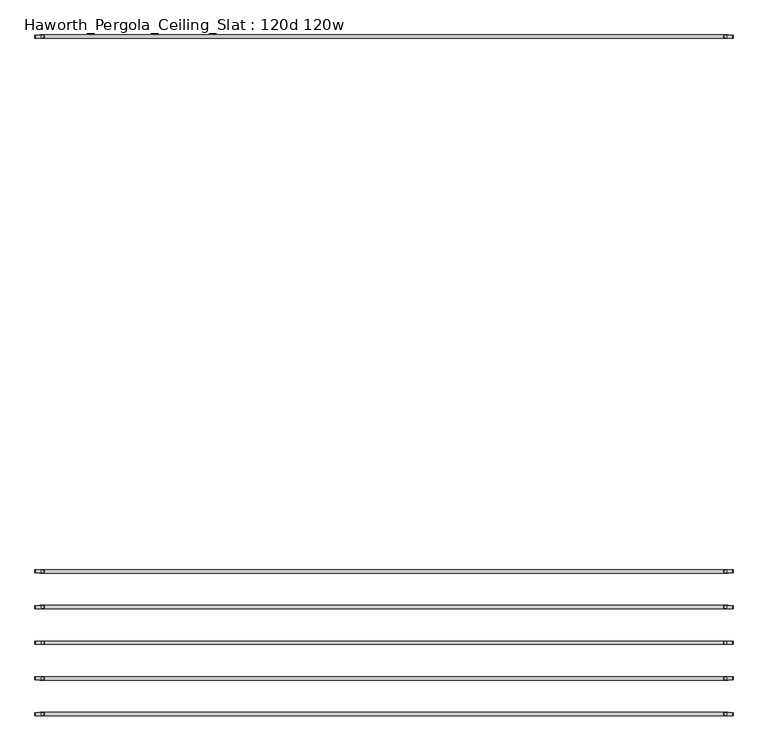
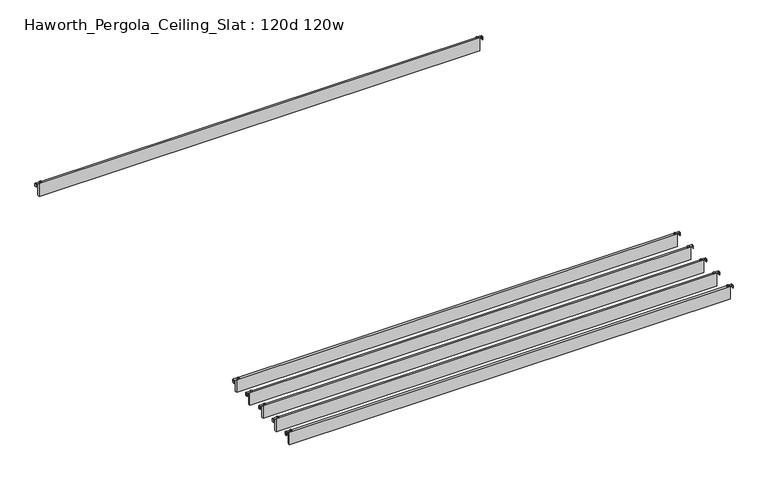
"""IFC4 building model written with IfcOpenShell, lengths in millimetres: furniture geometry, Haworth_Pergola_Ceiling_Slat : 120d 120w."""

from ifc_helpers import new_model, si_unit, point, frame, frame_2d, origin, place, context, project, spatial, polyline, circle_curve, trimmed, segment, composite_curve, outline, extrude, source, transform, mapped, element, save


def haworth_pergola_ceiling_slat_120d_120w_8a2589e2(model_context):
    return source(origin(), model_context, "Body", "SweptSolid", [
        extrude(outline(composite_curve([segment(trimmed(circle_curve(frame_2d((1548.4, -2206.3175263)), 5.9838099), [point((1542.4161901, -2206.3175263))], [point((1554.3838099, -2206.3175263))], False, "CARTESIAN"), True, "CONTINUOUS"), segment(trimmed(circle_curve(frame_2d((1548.4, -2206.3175263)), 5.9838099), [point((1554.3838099, -2206.3175263))], [point((1542.4161901, -2206.3175263))], False, "CARTESIAN"), True, "CONTINUOUS")], self_intersect=False)), frame((0.0, 0.0, 2440.9329992), z_axis=(0.0, 0.0, 1.0), x_axis=(1.0, 0.0, 0.0)), (0.0, 0.0, 1.0), 3.4400008),
        extrude(outline(composite_curve([segment(trimmed(circle_curve(frame_2d((-1472.2, -2206.3175263)), 5.9838099), [point((-1466.2161901, -2206.3175263))], [point((-1478.1838099, -2206.3175263))], False, "CARTESIAN"), True, "CONTINUOUS"), segment(trimmed(circle_curve(frame_2d((-1472.2, -2206.3175263)), 5.9838099), [point((-1478.1838099, -2206.3175263))], [point((-1466.2161901, -2206.3175263))], False, "CARTESIAN"), True, "CONTINUOUS")], self_intersect=False)), frame((0.0, 0.0, 2440.9329992), z_axis=(0.0, 0.0, 1.0), x_axis=(1.0, 0.0, 0.0)), (0.0, 0.0, 1.0), 3.4400008),
        extrude(outline(composite_curve([segment(polyline([(2419.2231711, 1582.56), (2437.2499992, 1582.56)]), True, "CONTINUOUS"), segment(trimmed(circle_curve(frame_2d((2437.2499992, 1578.877)), 3.683), [point((2437.2499992, 1582.56))], [point((2440.9329992, 1578.877))], False, "CARTESIAN"), True, "CONTINUOUS"), segment(polyline([(2440.9329992, 1578.877), (2440.9329992, 1541.9), (2438.2729997, 1541.9), (2438.2729997, 1578.8905568)]), True, "CONTINUOUS"), segment(trimmed(circle_curve(frame_2d((2437.2635571, 1578.8905568)), 1.0094425), [point((2438.2729997, 1578.8905568))], [point((2437.2635571, 1579.8999993))], True, "CARTESIAN"), True, "CONTINUOUS"), segment(polyline([(2437.2635571, 1579.8999993), (2419.2231711, 1579.8999993), (2419.2231711, 1582.56)]), True, "CONTINUOUS")], self_intersect=False)), frame((0.0, -2212.8105267, 0.0), z_axis=(0.0, 1.0, 0.0), x_axis=(0.0, 0.0, 1.0)), (0.0, 0.0, 1.0), 13.0),
        extrude(outline(composite_curve([segment(polyline([(2419.2231711, -1506.36), (2419.2231711, -1503.6999993), (2437.2635571, -1503.6999993)]), True, "CONTINUOUS"), segment(trimmed(circle_curve(frame_2d((2437.2635571, -1502.6905568)), 1.0094425), [point((2437.2635571, -1503.6999993))], [point((2438.2729997, -1502.6905568))], True, "CARTESIAN"), True, "CONTINUOUS"), segment(polyline([(2438.2729997, -1502.6905568), (2438.2729997, -1465.7), (2440.9329992, -1465.7), (2440.9329992, -1502.677)]), True, "CONTINUOUS"), segment(trimmed(circle_curve(frame_2d((2437.2499992, -1502.677)), 3.683), [point((2440.9329992, -1502.677))], [point((2437.2499992, -1506.36))], False, "CARTESIAN"), True, "CONTINUOUS"), segment(polyline([(2437.2499992, -1506.36), (2419.2231711, -1506.36)]), True, "CONTINUOUS")], self_intersect=False)), frame((0.0, -2212.8105267, 0.0), z_axis=(0.0, 1.0, 0.0), x_axis=(0.0, 0.0, 1.0)), (0.0, 0.0, 1.0), 13.0),
        extrude(outline(polyline([(-1485.9, -2213.8105263), (-1485.9, -2198.8245263), (1562.1, -2198.8245263), (1562.1, -2213.8105263), (-1485.9, -2213.8105263)])), frame((0.0, 0.0, 2346.198), z_axis=(0.0, 0.0, 1.0), x_axis=(1.0, 0.0, 0.0)), (0.0, 0.0, 1.0), 92.202),
        extrude(outline(composite_curve([segment(trimmed(circle_curve(frame_2d((1548.4, -2364.0648947)), 5.9838099), [point((1542.4161901, -2364.0648947))], [point((1554.3838099, -2364.0648947))], False, "CARTESIAN"), True, "CONTINUOUS"), segment(trimmed(circle_curve(frame_2d((1548.4, -2364.0648947)), 5.9838099), [point((1554.3838099, -2364.0648947))], [point((1542.4161901, -2364.0648947))], False, "CARTESIAN"), True, "CONTINUOUS")], self_intersect=False)), frame((0.0, 0.0, 2440.9329992), z_axis=(0.0, 0.0, 1.0), x_axis=(1.0, 0.0, 0.0)), (0.0, 0.0, 1.0), 3.4400008),
        extrude(outline(composite_curve([segment(trimmed(circle_curve(frame_2d((-1472.2, -2364.0648947)), 5.9838099), [point((-1466.2161901, -2364.0648947))], [point((-1478.1838099, -2364.0648947))], False, "CARTESIAN"), True, "CONTINUOUS"), segment(trimmed(circle_curve(frame_2d((-1472.2, -2364.0648947)), 5.9838099), [point((-1478.1838099, -2364.0648947))], [point((-1466.2161901, -2364.0648947))], False, "CARTESIAN"), True, "CONTINUOUS")], self_intersect=False)), frame((0.0, 0.0, 2440.9329992), z_axis=(0.0, 0.0, 1.0), x_axis=(1.0, 0.0, 0.0)), (0.0, 0.0, 1.0), 3.4400008),
        extrude(outline(composite_curve([segment(polyline([(2419.2231711, 1582.56), (2437.2499992, 1582.56)]), True, "CONTINUOUS"), segment(trimmed(circle_curve(frame_2d((2437.2499992, 1578.877)), 3.683), [point((2437.2499992, 1582.56))], [point((2440.9329992, 1578.877))], False, "CARTESIAN"), True, "CONTINUOUS"), segment(polyline([(2440.9329992, 1578.877), (2440.9329992, 1541.9), (2438.2729997, 1541.9), (2438.2729997, 1578.8905568)]), True, "CONTINUOUS"), segment(trimmed(circle_curve(frame_2d((2437.2635571, 1578.8905568)), 1.0094425), [point((2438.2729997, 1578.8905568))], [point((2437.2635571, 1579.8999993))], True, "CARTESIAN"), True, "CONTINUOUS"), segment(polyline([(2437.2635571, 1579.8999993), (2419.2231711, 1579.8999993), (2419.2231711, 1582.56)]), True, "CONTINUOUS")], self_intersect=False)), frame((0.0, -2370.5578951, 0.0), z_axis=(0.0, 1.0, 0.0), x_axis=(0.0, 0.0, 1.0)), (0.0, 0.0, 1.0), 13.0),
        extrude(outline(composite_curve([segment(polyline([(2419.2231711, -1506.36), (2419.2231711, -1503.6999993), (2437.2635571, -1503.6999993)]), True, "CONTINUOUS"), segment(trimmed(circle_curve(frame_2d((2437.2635571, -1502.6905568)), 1.0094425), [point((2437.2635571, -1503.6999993))], [point((2438.2729997, -1502.6905568))], True, "CARTESIAN"), True, "CONTINUOUS"), segment(polyline([(2438.2729997, -1502.6905568), (2438.2729997, -1465.7), (2440.9329992, -1465.7), (2440.9329992, -1502.677)]), True, "CONTINUOUS"), segment(trimmed(circle_curve(frame_2d((2437.2499992, -1502.677)), 3.683), [point((2440.9329992, -1502.677))], [point((2437.2499992, -1506.36))], False, "CARTESIAN"), True, "CONTINUOUS"), segment(polyline([(2437.2499992, -1506.36), (2419.2231711, -1506.36)]), True, "CONTINUOUS")], self_intersect=False)), frame((0.0, -2370.5578951, 0.0), z_axis=(0.0, 1.0, 0.0), x_axis=(0.0, 0.0, 1.0)), (0.0, 0.0, 1.0), 13.0),
        extrude(outline(polyline([(-1485.9, -2371.5578947), (-1485.9, -2356.5718947), (1562.1, -2356.5718947), (1562.1, -2371.5578947), (-1485.9, -2371.5578947)])), frame((0.0, 0.0, 2346.198), z_axis=(0.0, 0.0, 1.0), x_axis=(1.0, 0.0, 0.0)), (0.0, 0.0, 1.0), 92.202),
        extrude(outline(composite_curve([segment(trimmed(circle_curve(frame_2d((1548.4, -2521.8122632)), 5.9838099), [point((1542.4161901, -2521.8122632))], [point((1554.3838099, -2521.8122632))], False, "CARTESIAN"), True, "CONTINUOUS"), segment(trimmed(circle_curve(frame_2d((1548.4, -2521.8122632)), 5.9838099), [point((1554.3838099, -2521.8122632))], [point((1542.4161901, -2521.8122632))], False, "CARTESIAN"), True, "CONTINUOUS")], self_intersect=False)), frame((0.0, 0.0, 2440.9329992), z_axis=(0.0, 0.0, 1.0), x_axis=(1.0, 0.0, 0.0)), (0.0, 0.0, 1.0), 3.4400008),
        extrude(outline(composite_curve([segment(trimmed(circle_curve(frame_2d((-1472.2, -2521.8122632)), 5.9838099), [point((-1466.2161901, -2521.8122632))], [point((-1478.1838099, -2521.8122632))], False, "CARTESIAN"), True, "CONTINUOUS"), segment(trimmed(circle_curve(frame_2d((-1472.2, -2521.8122632)), 5.9838099), [point((-1478.1838099, -2521.8122632))], [point((-1466.2161901, -2521.8122632))], False, "CARTESIAN"), True, "CONTINUOUS")], self_intersect=False)), frame((0.0, 0.0, 2440.9329992), z_axis=(0.0, 0.0, 1.0), x_axis=(1.0, 0.0, 0.0)), (0.0, 0.0, 1.0), 3.4400008),
        extrude(outline(composite_curve([segment(polyline([(2419.2231711, 1582.56), (2437.2499992, 1582.56)]), True, "CONTINUOUS"), segment(trimmed(circle_curve(frame_2d((2437.2499992, 1578.877)), 3.683), [point((2437.2499992, 1582.56))], [point((2440.9329992, 1578.877))], False, "CARTESIAN"), True, "CONTINUOUS"), segment(polyline([(2440.9329992, 1578.877), (2440.9329992, 1541.9), (2438.2729997, 1541.9), (2438.2729997, 1578.8905568)]), True, "CONTINUOUS"), segment(trimmed(circle_curve(frame_2d((2437.2635571, 1578.8905568)), 1.0094425), [point((2438.2729997, 1578.8905568))], [point((2437.2635571, 1579.8999993))], True, "CARTESIAN"), True, "CONTINUOUS"), segment(polyline([(2437.2635571, 1579.8999993), (2419.2231711, 1579.8999993), (2419.2231711, 1582.56)]), True, "CONTINUOUS")], self_intersect=False)), frame((0.0, -2528.3052635, 0.0), z_axis=(0.0, 1.0, 0.0), x_axis=(0.0, 0.0, 1.0)), (0.0, 0.0, 1.0), 13.0),
        extrude(outline(composite_curve([segment(polyline([(2419.2231711, -1506.36), (2419.2231711, -1503.6999993), (2437.2635571, -1503.6999993)]), True, "CONTINUOUS"), segment(trimmed(circle_curve(frame_2d((2437.2635571, -1502.6905568)), 1.0094425), [point((2437.2635571, -1503.6999993))], [point((2438.2729997, -1502.6905568))], True, "CARTESIAN"), True, "CONTINUOUS"), segment(polyline([(2438.2729997, -1502.6905568), (2438.2729997, -1465.7), (2440.9329992, -1465.7), (2440.9329992, -1502.677)]), True, "CONTINUOUS"), segment(trimmed(circle_curve(frame_2d((2437.2499992, -1502.677)), 3.683), [point((2440.9329992, -1502.677))], [point((2437.2499992, -1506.36))], False, "CARTESIAN"), True, "CONTINUOUS"), segment(polyline([(2437.2499992, -1506.36), (2419.2231711, -1506.36)]), True, "CONTINUOUS")], self_intersect=False)), frame((0.0, -2528.3052635, 0.0), z_axis=(0.0, 1.0, 0.0), x_axis=(0.0, 0.0, 1.0)), (0.0, 0.0, 1.0), 13.0),
        extrude(outline(polyline([(-1485.9, -2529.3052632), (-1485.9, -2514.3192632), (1562.1, -2514.3192632), (1562.1, -2529.3052632), (-1485.9, -2529.3052632)])), frame((0.0, 0.0, 2346.198), z_axis=(0.0, 0.0, 1.0), x_axis=(1.0, 0.0, 0.0)), (0.0, 0.0, 1.0), 92.202),
        extrude(outline(composite_curve([segment(trimmed(circle_curve(frame_2d((1548.4, -2679.5596316)), 5.9838099), [point((1542.4161901, -2679.5596316))], [point((1554.3838099, -2679.5596316))], False, "CARTESIAN"), True, "CONTINUOUS"), segment(trimmed(circle_curve(frame_2d((1548.4, -2679.5596316)), 5.9838099), [point((1554.3838099, -2679.5596316))], [point((1542.4161901, -2679.5596316))], False, "CARTESIAN"), True, "CONTINUOUS")], self_intersect=False)), frame((0.0, 0.0, 2440.9329992), z_axis=(0.0, 0.0, 1.0), x_axis=(1.0, 0.0, 0.0)), (0.0, 0.0, 1.0), 3.4400008),
        extrude(outline(composite_curve([segment(trimmed(circle_curve(frame_2d((-1472.2, -2679.5596316)), 5.9838099), [point((-1466.2161901, -2679.5596316))], [point((-1478.1838099, -2679.5596316))], False, "CARTESIAN"), True, "CONTINUOUS"), segment(trimmed(circle_curve(frame_2d((-1472.2, -2679.5596316)), 5.9838099), [point((-1478.1838099, -2679.5596316))], [point((-1466.2161901, -2679.5596316))], False, "CARTESIAN"), True, "CONTINUOUS")], self_intersect=False)), frame((0.0, 0.0, 2440.9329992), z_axis=(0.0, 0.0, 1.0), x_axis=(1.0, 0.0, 0.0)), (0.0, 0.0, 1.0), 3.4400008),
        extrude(outline(composite_curve([segment(polyline([(2419.2231711, 1582.56), (2437.2499992, 1582.56)]), True, "CONTINUOUS"), segment(trimmed(circle_curve(frame_2d((2437.2499992, 1578.877)), 3.683), [point((2437.2499992, 1582.56))], [point((2440.9329992, 1578.877))], False, "CARTESIAN"), True, "CONTINUOUS"), segment(polyline([(2440.9329992, 1578.877), (2440.9329992, 1541.9), (2438.2729997, 1541.9), (2438.2729997, 1578.8905568)]), True, "CONTINUOUS"), segment(trimmed(circle_curve(frame_2d((2437.2635571, 1578.8905568)), 1.0094425), [point((2438.2729997, 1578.8905568))], [point((2437.2635571, 1579.8999993))], True, "CARTESIAN"), True, "CONTINUOUS"), segment(polyline([(2437.2635571, 1579.8999993), (2419.2231711, 1579.8999993), (2419.2231711, 1582.56)]), True, "CONTINUOUS")], self_intersect=False)), frame((0.0, -2686.0526319, 0.0), z_axis=(0.0, 1.0, 0.0), x_axis=(0.0, 0.0, 1.0)), (0.0, 0.0, 1.0), 13.0),
        extrude(outline(composite_curve([segment(polyline([(2419.2231711, -1506.36), (2419.2231711, -1503.6999993), (2437.2635571, -1503.6999993)]), True, "CONTINUOUS"), segment(trimmed(circle_curve(frame_2d((2437.2635571, -1502.6905568)), 1.0094425), [point((2437.2635571, -1503.6999993))], [point((2438.2729997, -1502.6905568))], True, "CARTESIAN"), True, "CONTINUOUS"), segment(polyline([(2438.2729997, -1502.6905568), (2438.2729997, -1465.7), (2440.9329992, -1465.7), (2440.9329992, -1502.677)]), True, "CONTINUOUS"), segment(trimmed(circle_curve(frame_2d((2437.2499992, -1502.677)), 3.683), [point((2440.9329992, -1502.677))], [point((2437.2499992, -1506.36))], False, "CARTESIAN"), True, "CONTINUOUS"), segment(polyline([(2437.2499992, -1506.36), (2419.2231711, -1506.36)]), True, "CONTINUOUS")], self_intersect=False)), frame((0.0, -2686.0526319, 0.0), z_axis=(0.0, 1.0, 0.0), x_axis=(0.0, 0.0, 1.0)), (0.0, 0.0, 1.0), 13.0),
        extrude(outline(polyline([(-1485.9, -2687.0526316), (-1485.9, -2672.0666316), (1562.1, -2672.0666316), (1562.1, -2687.0526316), (-1485.9, -2687.0526316)])), frame((0.0, 0.0, 2346.198), z_axis=(0.0, 0.0, 1.0), x_axis=(1.0, 0.0, 0.0)), (0.0, 0.0, 1.0), 92.202),
        extrude(outline(composite_curve([segment(trimmed(circle_curve(frame_2d((1548.4, 159.893)), 5.9838099), [point((1542.4161901, 159.893))], [point((1554.3838099, 159.893))], False, "CARTESIAN"), True, "CONTINUOUS"), segment(trimmed(circle_curve(frame_2d((1548.4, 159.893)), 5.9838099), [point((1554.3838099, 159.893))], [point((1542.4161901, 159.893))], False, "CARTESIAN"), True, "CONTINUOUS")], self_intersect=False)), frame((0.0, 0.0, 2440.9329992), z_axis=(0.0, 0.0, 1.0), x_axis=(1.0, 0.0, 0.0)), (0.0, 0.0, 1.0), 3.4400008),
        extrude(outline(composite_curve([segment(trimmed(circle_curve(frame_2d((-1472.2, 159.893)), 5.9838099), [point((-1466.2161901, 159.893))], [point((-1478.1838099, 159.893))], False, "CARTESIAN"), True, "CONTINUOUS"), segment(trimmed(circle_curve(frame_2d((-1472.2, 159.893)), 5.9838099), [point((-1478.1838099, 159.893))], [point((-1466.2161901, 159.893))], False, "CARTESIAN"), True, "CONTINUOUS")], self_intersect=False)), frame((0.0, 0.0, 2440.9329992), z_axis=(0.0, 0.0, 1.0), x_axis=(1.0, 0.0, 0.0)), (0.0, 0.0, 1.0), 3.4400008),
        extrude(outline(composite_curve([segment(polyline([(2419.2231711, 1582.56), (2437.2499992, 1582.56)]), True, "CONTINUOUS"), segment(trimmed(circle_curve(frame_2d((2437.2499992, 1578.877)), 3.683), [point((2437.2499992, 1582.56))], [point((2440.9329992, 1578.877))], False, "CARTESIAN"), True, "CONTINUOUS"), segment(polyline([(2440.9329992, 1578.877), (2440.9329992, 1541.9), (2438.2729997, 1541.9), (2438.2729997, 1578.8905568)]), True, "CONTINUOUS"), segment(trimmed(circle_curve(frame_2d((2437.2635571, 1578.8905568)), 1.0094425), [point((2438.2729997, 1578.8905568))], [point((2437.2635571, 1579.8999993))], True, "CARTESIAN"), True, "CONTINUOUS"), segment(polyline([(2437.2635571, 1579.8999993), (2419.2231711, 1579.8999993), (2419.2231711, 1582.56)]), True, "CONTINUOUS")], self_intersect=False)), frame((0.0, 153.3999997, 0.0), z_axis=(0.0, 1.0, 0.0), x_axis=(0.0, 0.0, 1.0)), (0.0, 0.0, 1.0), 13.0),
        extrude(outline(composite_curve([segment(polyline([(2419.2231711, -1506.36), (2419.2231711, -1503.6999993), (2437.2635571, -1503.6999993)]), True, "CONTINUOUS"), segment(trimmed(circle_curve(frame_2d((2437.2635571, -1502.6905568)), 1.0094425), [point((2437.2635571, -1503.6999993))], [point((2438.2729997, -1502.6905568))], True, "CARTESIAN"), True, "CONTINUOUS"), segment(polyline([(2438.2729997, -1502.6905568), (2438.2729997, -1465.7), (2440.9329992, -1465.7), (2440.9329992, -1502.677)]), True, "CONTINUOUS"), segment(trimmed(circle_curve(frame_2d((2437.2499992, -1502.677)), 3.683), [point((2440.9329992, -1502.677))], [point((2437.2499992, -1506.36))], False, "CARTESIAN"), True, "CONTINUOUS"), segment(polyline([(2437.2499992, -1506.36), (2419.2231711, -1506.36)]), True, "CONTINUOUS")], self_intersect=False)), frame((0.0, 153.3999997, 0.0), z_axis=(0.0, 1.0, 0.0), x_axis=(0.0, 0.0, 1.0)), (0.0, 0.0, 1.0), 13.0),
        extrude(outline(polyline([(-1485.9, 152.4), (-1485.9, 167.386), (1562.1, 167.386), (1562.1, 152.4), (-1485.9, 152.4)])), frame((0.0, 0.0, 2346.198), z_axis=(0.0, 0.0, 1.0), x_axis=(1.0, 0.0, 0.0)), (0.0, 0.0, 1.0), 92.202),
        extrude(outline(composite_curve([segment(trimmed(circle_curve(frame_2d((1548.4, -2837.307)), 5.9838099), [point((1542.4161901, -2837.307))], [point((1554.3838099, -2837.307))], False, "CARTESIAN"), True, "CONTINUOUS"), segment(trimmed(circle_curve(frame_2d((1548.4, -2837.307)), 5.9838099), [point((1554.3838099, -2837.307))], [point((1542.4161901, -2837.307))], False, "CARTESIAN"), True, "CONTINUOUS")], self_intersect=False)), frame((0.0, 0.0, 2440.9329992), z_axis=(0.0, 0.0, 1.0), x_axis=(1.0, 0.0, 0.0)), (0.0, 0.0, 1.0), 3.4400008),
        extrude(outline(composite_curve([segment(trimmed(circle_curve(frame_2d((-1472.2, -2837.307)), 5.9838099), [point((-1466.2161901, -2837.307))], [point((-1478.1838099, -2837.307))], False, "CARTESIAN"), True, "CONTINUOUS"), segment(trimmed(circle_curve(frame_2d((-1472.2, -2837.307)), 5.9838099), [point((-1478.1838099, -2837.307))], [point((-1466.2161901, -2837.307))], False, "CARTESIAN"), True, "CONTINUOUS")], self_intersect=False)), frame((0.0, 0.0, 2440.9329992), z_axis=(0.0, 0.0, 1.0), x_axis=(1.0, 0.0, 0.0)), (0.0, 0.0, 1.0), 3.4400008),
        extrude(outline(composite_curve([segment(polyline([(2419.2231711, 1582.56), (2437.2499992, 1582.56)]), True, "CONTINUOUS"), segment(trimmed(circle_curve(frame_2d((2437.2499992, 1578.877)), 3.683), [point((2437.2499992, 1582.56))], [point((2440.9329992, 1578.877))], False, "CARTESIAN"), True, "CONTINUOUS"), segment(polyline([(2440.9329992, 1578.877), (2440.9329992, 1541.9), (2438.2729997, 1541.9), (2438.2729997, 1578.8905568)]), True, "CONTINUOUS"), segment(trimmed(circle_curve(frame_2d((2437.2635571, 1578.8905568)), 1.0094425), [point((2438.2729997, 1578.8905568))], [point((2437.2635571, 1579.8999993))], True, "CARTESIAN"), True, "CONTINUOUS"), segment(polyline([(2437.2635571, 1579.8999993), (2419.2231711, 1579.8999993), (2419.2231711, 1582.56)]), True, "CONTINUOUS")], self_intersect=False)), frame((0.0, -2843.8000003, 0.0), z_axis=(0.0, 1.0, 0.0), x_axis=(0.0, 0.0, 1.0)), (0.0, 0.0, 1.0), 13.0),
        extrude(outline(composite_curve([segment(polyline([(2419.2231711, -1506.36), (2419.2231711, -1503.6999993), (2437.2635571, -1503.6999993)]), True, "CONTINUOUS"), segment(trimmed(circle_curve(frame_2d((2437.2635571, -1502.6905568)), 1.0094425), [point((2437.2635571, -1503.6999993))], [point((2438.2729997, -1502.6905568))], True, "CARTESIAN"), True, "CONTINUOUS"), segment(polyline([(2438.2729997, -1502.6905568), (2438.2729997, -1465.7), (2440.9329992, -1465.7), (2440.9329992, -1502.677)]), True, "CONTINUOUS"), segment(trimmed(circle_curve(frame_2d((2437.2499992, -1502.677)), 3.683), [point((2440.9329992, -1502.677))], [point((2437.2499992, -1506.36))], False, "CARTESIAN"), True, "CONTINUOUS"), segment(polyline([(2437.2499992, -1506.36), (2419.2231711, -1506.36)]), True, "CONTINUOUS")], self_intersect=False)), frame((0.0, -2843.8000003, 0.0), z_axis=(0.0, 1.0, 0.0), x_axis=(0.0, 0.0, 1.0)), (0.0, 0.0, 1.0), 13.0),
        extrude(outline(polyline([(-1485.9, -2844.8), (-1485.9, -2829.814), (1562.1, -2829.814), (1562.1, -2844.8), (-1485.9, -2844.8)])), frame((0.0, 0.0, 2346.198), z_axis=(0.0, 0.0, 1.0), x_axis=(1.0, 0.0, 0.0)), (0.0, 0.0, 1.0), 92.202),
    ])


if __name__ == "__main__":
    model = new_model("IFC4")
    model_context = context("Model", 3, world=origin())
    ifc_project = project(units=[si_unit("LENGTHUNIT", "METRE", prefix="MILLI")], contexts=[model_context])
    site = spatial("IfcSite", under=ifc_project)
    building = spatial("IfcBuilding", under=site)
    placement = place(None, origin())
    haworth_pergola_ceiling_slat_120d_120w_shape = haworth_pergola_ceiling_slat_120d_120w_8a2589e2(model_context)
    element("IfcFurniture", 1, ObjectType="Haworth_Pergola_Ceiling_Slat : 120d 120w", at=placement, inside=building, context=model_context, shape_type="MappedRepresentation", body=[
        mapped(haworth_pergola_ceiling_slat_120d_120w_shape, transform((0.0, 0.0, 0.0), x_axis=(1.0, 0.0, 0.0), y_axis=(0.0, 1.0, 0.0), z_axis=(0.0, 0.0, 1.0))),
    ])
    save(model, "model.ifc")
